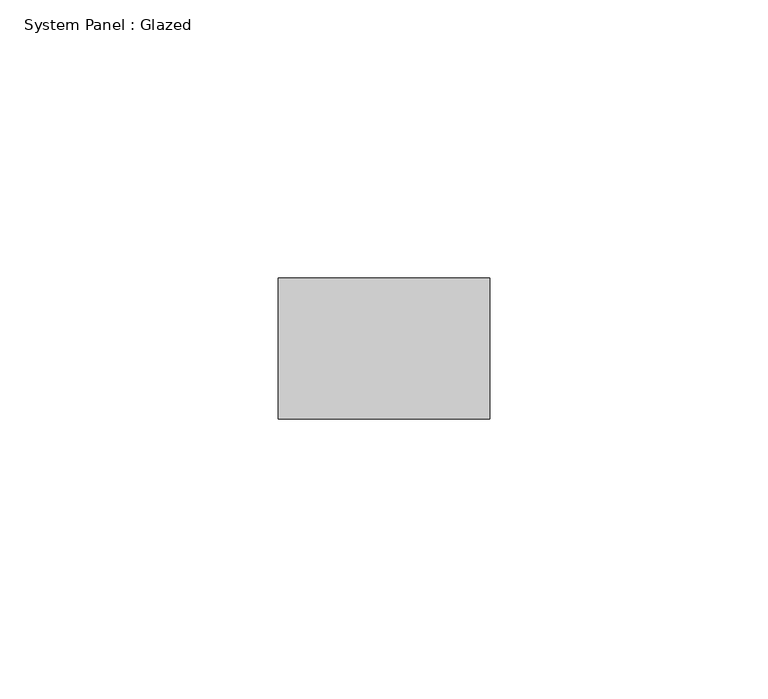
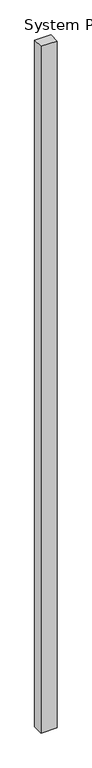
"""IFC4 building model written with IfcOpenShell, lengths in millimetres: plate geometry, System Panel : Glazed."""

from ifc_helpers import new_model, si_unit, origin, origin_with_axes, place, context, project, spatial, polyline, outline, extrude, source, transform, mapped, element, save


def system_panel_glazed_c8aca889(model_context):
    return source(origin(), model_context, "Body", "SweptSolid", [
        extrude(outline(polyline([(19.05, -44.45), (-19.05, -44.45), (-19.05, -19.05), (19.05, -19.05), (19.05, -44.45)])), origin_with_axes(), (0.0, 0.0, 1.0), 1714.5),
    ])


if __name__ == "__main__":
    model = new_model("IFC4")
    model_context = context("Model", 3, world=origin())
    ifc_project = project(units=[si_unit("LENGTHUNIT", "METRE", prefix="MILLI")], contexts=[model_context])
    site = spatial("IfcSite", under=ifc_project)
    building = spatial("IfcBuilding", under=site)
    placement = place(None, origin())
    system_panel_glazed_shape = system_panel_glazed_c8aca889(model_context)
    element("IfcPlate", 1, ObjectType="System Panel : Glazed", at=placement, inside=building, context=model_context, shape_type="MappedRepresentation", body=[
        mapped(system_panel_glazed_shape, transform((0.0, 0.0, 0.0), x_axis=(1.0, 0.0, 0.0), y_axis=(0.0, 1.0, 0.0), z_axis=(0.0, 0.0, 1.0))),
    ])
    save(model, "model.ifc")
